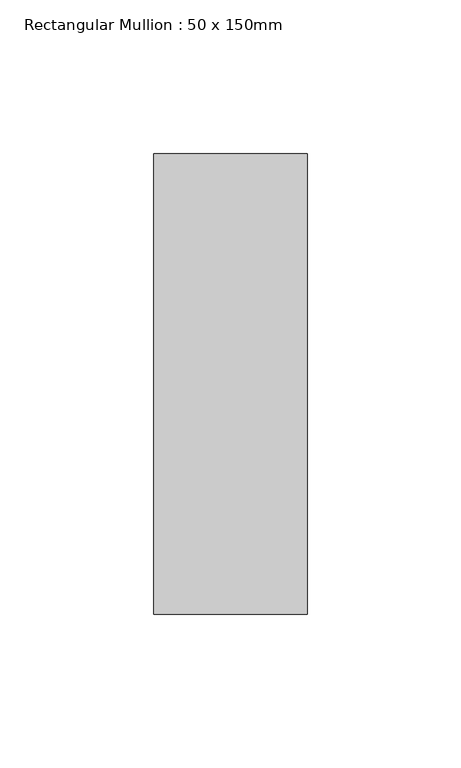
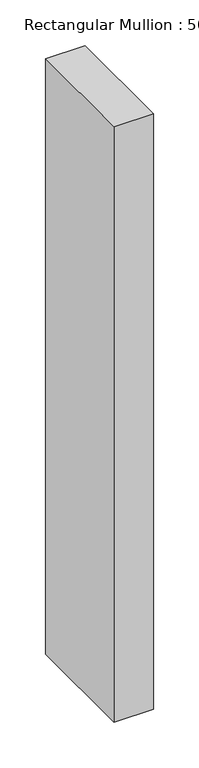
"""IFC4 building model written with IfcOpenShell, lengths in millimetres: member geometry, Rectangular Mullion : 50 x 150mm."""

from ifc_helpers import new_model, si_unit, frame, origin, place, context, project, spatial, polyline, outline, extrude, source, transform, mapped, element, save


def rectangular_mullion_50_x_150mm_1d87deec(model_context):
    return source(origin(), model_context, "Body", "SweptSolid", [
        extrude(outline(polyline([(0.0, 75.0), (0.0, -75.0), (-50.0, -75.0), (-50.0, 75.0), (0.0, 75.0)])), frame((0.0, 0.0, -796.6666667), z_axis=(0.0, 0.0, 1.0), x_axis=(1.0, 0.0, 0.0)), (0.0, 0.0, 1.0), 796.6666667),
    ])


if __name__ == "__main__":
    model = new_model("IFC4")
    model_context = context("Model", 3, world=origin())
    ifc_project = project(units=[si_unit("LENGTHUNIT", "METRE", prefix="MILLI")], contexts=[model_context])
    site = spatial("IfcSite", under=ifc_project)
    building = spatial("IfcBuilding", under=site)
    placement = place(None, origin())
    rectangular_mullion_50_x_150mm_shape = rectangular_mullion_50_x_150mm_1d87deec(model_context)
    element("IfcMember", 1, ObjectType="Rectangular Mullion : 50 x 150mm", at=placement, inside=building, context=model_context, shape_type="MappedRepresentation", body=[
        mapped(rectangular_mullion_50_x_150mm_shape, transform((0.0, 0.0, 0.0), x_axis=(1.0, 0.0, 0.0), y_axis=(0.0, 1.0, 0.0), z_axis=(0.0, 0.0, 1.0))),
    ])
    save(model, "model.ifc")
